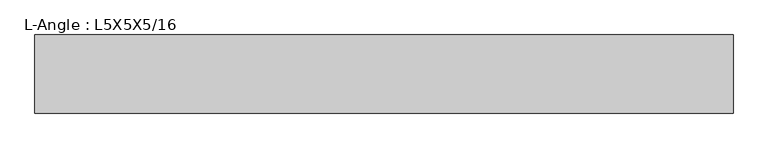
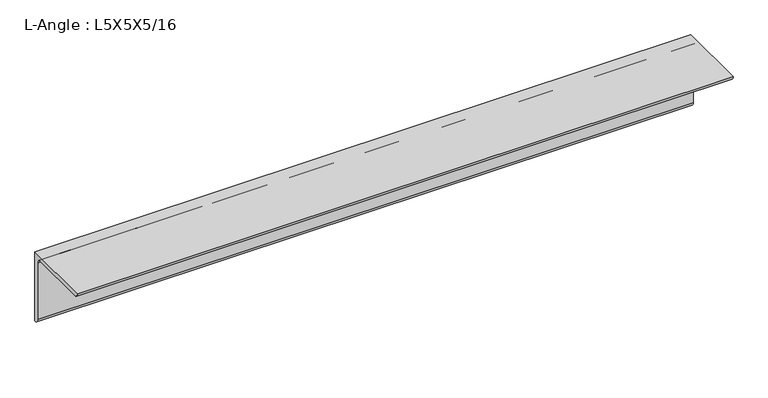
"""IFC4 building model written with IfcOpenShell, lengths in millimetres: beam geometry, L-Angle : L5X5X5/16."""

import ifcopenshell
import ifcopenshell.guid

model = None  # the IFC model being written
_history = None  # IfcOwnerHistory: only IFC2X3 demands one
_inside = {}  # id of a spatial element -> (the spatial element, [elements in it])
_under = {}  # id of a project, library or spatial element -> (it, [spatial elements below it])
_declared = {}  # id of a project -> (the project, [libraries it declares])
_typed = {}  # id of a type object -> (the type object, [elements of that type])
_made_of = {}  # id of a material, layer set ... -> (it, [elements and type objects made of it])


def new_model(schema):
    """Start an empty IFC model of exactly this schema.

    Asked for "IFC4X3", IfcOpenShell would pick the latest addendum, in which some entities
    have other attributes; the version numbers below select the first issue.
    IFC2X3 requires an IfcOwnerHistory on every rooted entity: one is made here for all.
    """
    global model, _history
    if schema == "IFC4X3":
        model = ifcopenshell.file(schema_version=(4, 3, 0, 0))
    else:
        model = ifcopenshell.file(schema=schema)
    _inside.clear()
    _under.clear()
    _declared.clear()
    _typed.clear()
    _made_of.clear()
    _history = None
    if model.schema == "IFC2X3":
        org = make("IfcOrganization", Name="unknown")
        user = make(
            "IfcPersonAndOrganization",
            ThePerson=make("IfcPerson", FamilyName="unknown"),
            TheOrganization=org,
        )
        app = make(
            "IfcApplication",
            ApplicationDeveloper=org,
            Version="unknown",
            ApplicationFullName="unknown",
            ApplicationIdentifier="unknown",
        )
        _history = make(
            "IfcOwnerHistory",
            OwningUser=user,
            OwningApplication=app,
            ChangeAction="ADDED",
            CreationDate=0,
        )
    return model


def make(cls, **values):
    """One entity of the class cls with the attributes given. An attribute that is None is left unset."""
    return model.create_entity(
        cls, **{name: value for name, value in values.items() if value is not None}
    )


def rooted(cls, **values):
    """An entity with a GlobalId (a new one), such as an element, a storey or a relation."""
    return make(cls, GlobalId=ifcopenshell.guid.new(), OwnerHistory=_history, **values)


def si_unit(unit_type, name, prefix=None):
    """IfcSIUnit, for example si_unit("LENGTHUNIT", "METRE", prefix="MILLI")."""
    return make("IfcSIUnit", UnitType=unit_type, Prefix=prefix, Name=name)


def assignment(units):
    """IfcUnitAssignment: the units of a project."""
    return None if units is None else make("IfcUnitAssignment", Units=units)


def point(xyz):
    """IfcCartesianPoint."""
    return None if xyz is None else make("IfcCartesianPoint", Coordinates=xyz)


def direction(xyz):
    """IfcDirection."""
    return None if xyz is None else make("IfcDirection", DirectionRatios=xyz)


def frame(location, z_axis=None, x_axis=None):
    """IfcAxis2Placement3D, a coordinate frame: its origin and axes. An axis left out is left unset."""
    return make(
        "IfcAxis2Placement3D",
        Location=point(location),
        Axis=direction(z_axis),
        RefDirection=direction(x_axis),
    )


def frame_2d(location, x_axis=None):
    """IfcAxis2Placement2D, a coordinate frame in the plane: its origin and x axis."""
    return make(
        "IfcAxis2Placement2D", Location=point(location), RefDirection=direction(x_axis)
    )


def origin():
    """The frame at (0, 0, 0) with its axes left unset."""
    return frame((0.0, 0.0, 0.0))


def place(relative_to, where):
    """IfcLocalPlacement: puts the frame where relative to a parent placement (None: the world)."""
    return make(
        "IfcLocalPlacement", PlacementRelTo=relative_to, RelativePlacement=where
    )


def context(
    kind, dimensions, precision=None, world=None, true_north=None, identifier=None
):
    """IfcGeometricRepresentationContext, for example the 3D "Model" context."""
    return make(
        "IfcGeometricRepresentationContext",
        ContextIdentifier=identifier,
        ContextType=kind,
        CoordinateSpaceDimension=dimensions,
        Precision=precision,
        WorldCoordinateSystem=world,
        TrueNorth=true_north,
    )


def project(units=None, contexts=None):
    """IfcProject with its units and contexts."""
    return rooted(
        "IfcProject",
        Name="project",
        RepresentationContexts=contexts,
        UnitsInContext=assignment(units),
    )


def spatial(cls, under=None, at=None, **own):
    """A site, building, storey or space (cls), placed at a placement, below another one or the project."""
    s = rooted(cls, ObjectPlacement=at, **own)
    if under is not None:
        _under.setdefault(under.id(), (under, []))[1].append(s)
    return s


def polyline(points):
    """IfcPolyline through the points."""
    return make("IfcPolyline", Points=[point(p) for p in points])


def circle_curve(where, radius):
    """IfcCircle in the frame where."""
    return make("IfcCircle", Position=where, Radius=radius)


def trimmed(basis, trim1, trim2, sense, master):
    """IfcTrimmedCurve: the piece of a basis curve between two trims."""
    return make(
        "IfcTrimmedCurve",
        BasisCurve=basis,
        Trim1=trim1,
        Trim2=trim2,
        SenseAgreement=sense,
        MasterRepresentation=master,
    )


def segment(curve, same_sense, transition):
    """IfcCompositeCurveSegment."""
    return make(
        "IfcCompositeCurveSegment",
        Transition=transition,
        SameSense=same_sense,
        ParentCurve=curve,
    )


def composite_curve(segments, self_intersect=None):
    """IfcCompositeCurve: segments joined end to end."""
    return make("IfcCompositeCurve", Segments=segments, SelfIntersect=self_intersect)


def outline(outer, holes=None, kind="AREA"):
    """IfcArbitraryClosedProfileDef: a profile drawn as a closed curve; with holes, ...WithVoids."""
    if holes is None:
        return make("IfcArbitraryClosedProfileDef", ProfileType=kind, OuterCurve=outer)
    return make(
        "IfcArbitraryProfileDefWithVoids",
        ProfileType=kind,
        OuterCurve=outer,
        InnerCurves=holes,
    )


def extrude(swept, where, along, depth):
    """IfcExtrudedAreaSolid: the profile swept, set in the frame where, extruded along a direction by depth."""
    return make(
        "IfcExtrudedAreaSolid",
        SweptArea=swept,
        Position=where,
        ExtrudedDirection=direction(along),
        Depth=depth,
    )


def shape(context_of_items, identifier, shape_type, items):
    """IfcShapeRepresentation: the items that make up one representation, for example the "Body"."""
    return make(
        "IfcShapeRepresentation",
        ContextOfItems=context_of_items,
        RepresentationIdentifier=identifier,
        RepresentationType=shape_type,
        Items=items,
    )


def source(mapping_origin, context_of_items, identifier, shape_type, items):
    """IfcRepresentationMap: a shape defined once, which mapped items show again and again."""
    return make(
        "IfcRepresentationMap",
        MappingOrigin=mapping_origin,
        MappedRepresentation=shape(context_of_items, identifier, shape_type, items),
    )


def transform(
    local_origin,
    x_axis=None,
    y_axis=None,
    z_axis=None,
    scale=None,
    scale2=None,
    scale3=None,
    uniform=True,
):
    """IfcCartesianTransformationOperator3D, or its non-uniform kind. x_axis, y_axis, z_axis: its Axis1, 2, 3."""
    if uniform:
        return make(
            "IfcCartesianTransformationOperator3D",
            Axis1=direction(x_axis),
            Axis2=direction(y_axis),
            LocalOrigin=point(local_origin),
            Scale=scale,
            Axis3=direction(z_axis),
        )
    return make(
        "IfcCartesianTransformationOperator3DnonUniform",
        Axis1=direction(x_axis),
        Axis2=direction(y_axis),
        LocalOrigin=point(local_origin),
        Scale=scale,
        Axis3=direction(z_axis),
        Scale2=scale2,
        Scale3=scale3,
    )


def mapped(mapping_source, mapping_target):
    """IfcMappedItem: shows the shape of a source again, moved by a transform."""
    return make(
        "IfcMappedItem", MappingSource=mapping_source, MappingTarget=mapping_target
    )


def made_of(thing, what):
    """Note that an element or type object is made of a material, layer set ...; save() writes the relation."""
    if what is not None:
        _made_of.setdefault(what.id(), (what, []))[1].append(thing)
    return thing


def element(
    cls,
    number,
    at=None,
    inside=None,
    cuts=None,
    type_object=None,
    material=None,
    context=None,
    identifier="Body",
    shape_type=None,
    held_by="IfcProductDefinitionShape",
    body=None,
    shapes=None,
    **own,
):
    """One element of the class cls, such as IfcWall. Its Tag is "e" and its number.

    at: its placement. inside: the storey or other place that contains it. cuts: it is an
    opening in that element (IfcRelVoidsElement). A single representation is given by context,
    identifier, shape_type and body (its items); several are given by shapes. held_by: the class
    of the entity that holds the representations. save() writes the other relations.
    """
    e = rooted(cls, Tag="e%d" % number, ObjectPlacement=at, **own)
    if body is not None:
        shapes = [shape(context, identifier, shape_type, body)]
    if shapes is not None:
        e.Representation = make(held_by, Representations=shapes)
    if inside is not None:
        _inside.setdefault(inside.id(), (inside, []))[1].append(e)
    if cuts is not None:
        rooted(
            "IfcRelVoidsElement", RelatingBuildingElement=cuts, RelatedOpeningElement=e
        )
    if type_object is not None:
        _typed.setdefault(type_object.id(), (type_object, []))[1].append(e)
    return made_of(e, material)


def aggregate(whole, parts):
    """IfcRelAggregates: a whole, such as a stair, and the parts it consists of."""
    return rooted("IfcRelAggregates", RelatingObject=whole, RelatedObjects=parts)


def save(model, path):
    """Write the relations noted so far, then the file.

    IfcRelAggregates (storeys below a building ...), IfcRelContainedInSpatialStructure (elements
    in a storey), IfcRelDefinesByType, IfcRelAssociatesMaterial and IfcRelDeclares: one each for
    every whole, place, type object, material and project.
    """
    for whole, parts in _under.values():
        aggregate(whole, parts)
    for where, things in _inside.values():
        rooted(
            "IfcRelContainedInSpatialStructure",
            RelatedElements=things,
            RelatingStructure=where,
        )
    for kind, things in _typed.values():
        rooted("IfcRelDefinesByType", RelatedObjects=things, RelatingType=kind)
    for what, things in _made_of.values():
        rooted("IfcRelAssociatesMaterial", RelatedObjects=things, RelatingMaterial=what)
    for by, libraries in _declared.values():
        rooted("IfcRelDeclares", RelatingContext=by, RelatedDefinitions=libraries)
    model.write(path)


def l_angle_l5x5x5_16_8f76ae53(model_context):
    return source(origin(), model_context, "Body", "SweptSolid", [
        extrude(outline(composite_curve([segment(polyline([(34.3296875, 34.3296875), (34.3296875, -92.6703125)]), True, "CONTINUOUS"), segment(trimmed(circle_curve(frame_2d((34.3296875, -84.7328125)), 7.9375), [point((34.3296875, -92.6703125))], [point((26.3921875, -84.7328125))], False, "CARTESIAN"), True, "CONTINUOUS"), segment(polyline([(26.3921875, -84.7328125), (26.3921875, 18.4546875)]), True, "CONTINUOUS"), segment(trimmed(circle_curve(frame_2d((18.4546875, 18.4546875)), 7.9375), [point((26.3921875, 18.4546875))], [point((18.4546875, 26.3921875))], True, "CARTESIAN"), True, "CONTINUOUS"), segment(polyline([(18.4546875, 26.3921875), (-84.7328125, 26.3921875)]), True, "CONTINUOUS"), segment(trimmed(circle_curve(frame_2d((-84.7328125, 34.3296875)), 7.9375), [point((-84.7328125, 26.3921875))], [point((-92.6703125, 34.3296875))], False, "CARTESIAN"), True, "CONTINUOUS"), segment(polyline([(-92.6703125, 34.3296875), (34.3296875, 34.3296875)]), True, "CONTINUOUS")], self_intersect=False)), frame((-567.7296875, 0.0, 0.0), z_axis=(1.0, 0.0, 0.0), x_axis=(0.0, 1.0, 0.0)), (0.0, 0.0, 1.0), 1135.459375),
    ])


if __name__ == "__main__":
    model = new_model("IFC4")
    model_context = context("Model", 3, world=origin())
    ifc_project = project(units=[si_unit("LENGTHUNIT", "METRE", prefix="MILLI")], contexts=[model_context])
    site = spatial("IfcSite", under=ifc_project)
    building = spatial("IfcBuilding", under=site)
    placement = place(None, origin())
    l_angle_l5x5x5_16_shape = l_angle_l5x5x5_16_8f76ae53(model_context)
    element("IfcBeam", 1, ObjectType="L-Angle : L5X5X5/16", at=placement, inside=building, context=model_context, shape_type="MappedRepresentation", body=[
        mapped(l_angle_l5x5x5_16_shape, transform((0.0, 0.0, 0.0), x_axis=(1.0, 0.0, 0.0), y_axis=(0.0, 1.0, 0.0), z_axis=(0.0, 0.0, 1.0))),
    ])
    save(model, "model.ifc")
